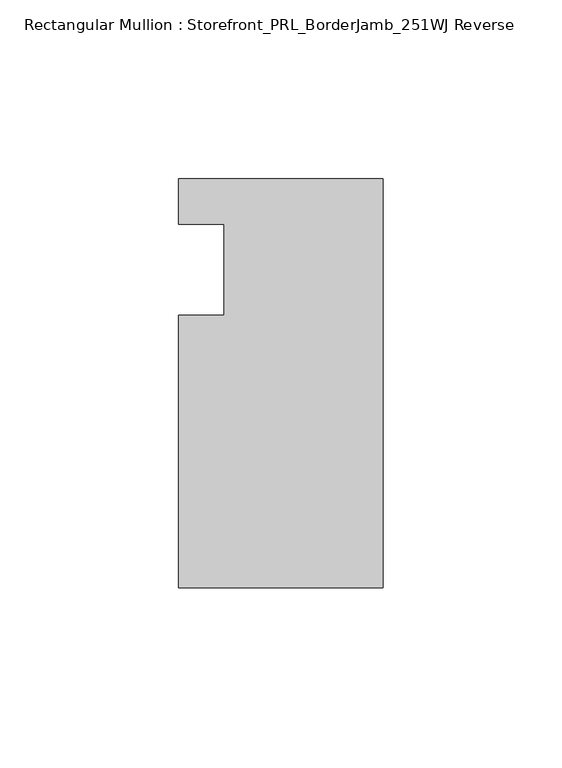
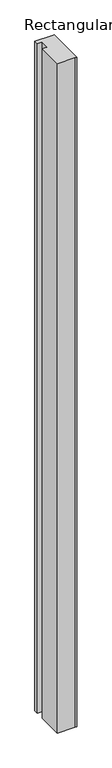
"""IFC4 building model written with IfcOpenShell, lengths in millimetres: member geometry, Rectangular Mullion : Storefront_PRL_BorderJamb_251WJ Reverse."""

from ifc_helpers import new_model, si_unit, frame, origin, place, context, project, spatial, polyline, outline, extrude, source, transform, mapped, element, save


def rectangular_mullion_storefront_prl_borderjamb_251wj_reverse_4553178d(model_context):
    return source(origin(), model_context, "Body", "SweptSolid", [
        extrude(outline(polyline([(-44.45, -12.7), (-44.45, 12.7), (-57.15, 12.7), (-57.15, 25.4), (-7.3958824, 25.4), (0.0, 25.4), (0.0, -88.9), (-6.35, -88.9), (-57.15, -88.9), (-57.15, -12.7), (-44.45, -12.7)])), frame((0.0, 0.0, -2076.45), z_axis=(0.0, 0.0, 1.0), x_axis=(1.0, 0.0, 0.0)), (0.0, 0.0, 1.0), 2076.45),
    ])


if __name__ == "__main__":
    model = new_model("IFC4")
    model_context = context("Model", 3, world=origin())
    ifc_project = project(units=[si_unit("LENGTHUNIT", "METRE", prefix="MILLI")], contexts=[model_context])
    site = spatial("IfcSite", under=ifc_project)
    building = spatial("IfcBuilding", under=site)
    placement = place(None, origin())
    rectangular_mullion_storefront_prl_borderjamb_251wj_reverse_shape = rectangular_mullion_storefront_prl_borderjamb_251wj_reverse_4553178d(model_context)
    element("IfcMember", 1, ObjectType="Rectangular Mullion : Storefront_PRL_BorderJamb_251WJ Reverse", at=placement, inside=building, context=model_context, shape_type="MappedRepresentation", body=[
        mapped(rectangular_mullion_storefront_prl_borderjamb_251wj_reverse_shape, transform((0.0, 0.0, 0.0), x_axis=(1.0, 0.0, 0.0), y_axis=(0.0, 1.0, 0.0), z_axis=(0.0, 0.0, 1.0))),
    ])
    save(model, "model.ifc")
